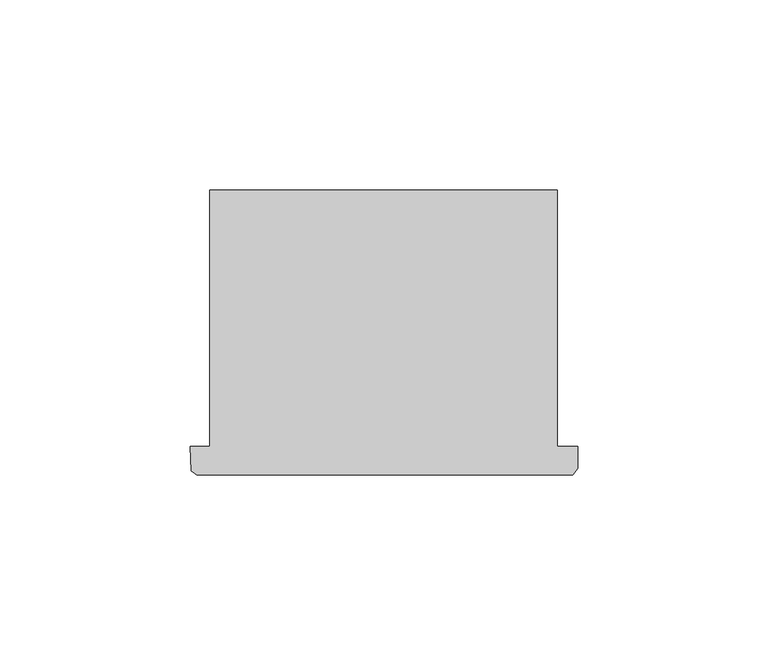
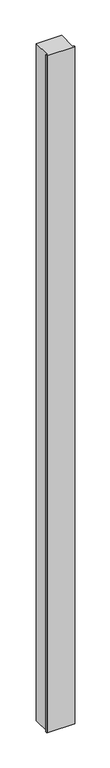
"""IFC4 building model written with IfcOpenShell, lengths in millimetres: column geometry."""

from ifc_helpers import new_model, si_unit, frame, origin, place, context, project, spatial, polyline, outline, extrude, source, transform, mapped, element, save


def column_8af196e5(model_context):
    return source(origin(), model_context, "Body", "SweptSolid", [
        extrude(outline(polyline([(60966.3748158, -43419.4334556), (60971.4659664, -43419.4334556), (60971.4659664, -43352.1476364), (61062.6727944, -43352.1476364), (61062.6727944, -43419.4334556), (61067.9748158, -43419.4334556), (61067.9748158, -43425.1292278), (61066.7345592, -43426.8996586), (60968.0181196, -43426.8996586), (60966.529832, -43425.8206666), (60966.3748158, -43419.4334556)])), frame((0.0, 0.0, 4419.601778), z_axis=(0.0, 0.0, 1.0), x_axis=(1.0, 0.0, 0.0)), (0.0, 0.0, 1.0), 2590.7999808),
        extrude(outline(polyline([(60966.3748158, -43419.4334556), (60971.4659664, -43419.4334556), (60971.4659664, -43352.1476364), (61062.6727944, -43352.1476364), (61062.6727944, -43419.4334556), (61067.9748158, -43419.4334556), (61067.9748158, -43425.1292278), (61066.7345592, -43426.8996586), (60968.0181196, -43426.8996586), (60966.529832, -43425.8206666), (60966.3748158, -43419.4334556)])), frame((0.0, 0.0, 4419.601778), z_axis=(0.0, 0.0, 1.0), x_axis=(1.0, 0.0, 0.0)), (0.0, 0.0, 1.0), 2590.7999808),
    ])


if __name__ == "__main__":
    model = new_model("IFC4")
    model_context = context("Model", 3, world=origin())
    ifc_project = project(units=[si_unit("LENGTHUNIT", "METRE", prefix="MILLI")], contexts=[model_context])
    site = spatial("IfcSite", under=ifc_project)
    building = spatial("IfcBuilding", under=site)
    placement = place(None, origin())
    column_shape = column_8af196e5(model_context)
    element("IfcColumn", 1, at=placement, inside=building, context=model_context, shape_type="MappedRepresentation", body=[
        mapped(column_shape, transform((0.0, 0.0, 0.0), x_axis=(1.0, 0.0, 0.0), y_axis=(0.0, 1.0, 0.0), z_axis=(0.0, 0.0, 1.0))),
    ])
    save(model, "model.ifc")
